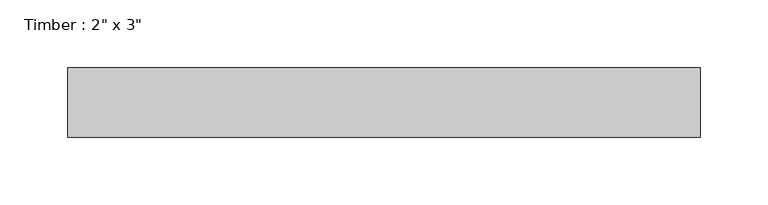
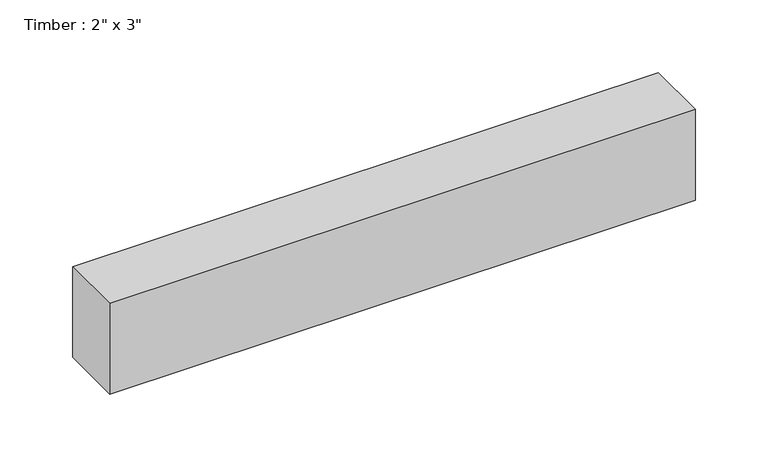
"""IFC4 building model written with IfcOpenShell, lengths in millimetres: beam geometry."""

from ifc_helpers import new_model, si_unit, frame, origin, place, context, project, spatial, polyline, outline, extrude, source, transform, mapped, element, save


def beam_81d6704a(model_context):
    return source(origin(), model_context, "Body", "SweptSolid", [
        extrude(outline(polyline([(232.5031892, 25.4), (232.5031892, -25.4), (-232.5031892, -25.4), (-232.5031892, 25.4), (232.5031892, 25.4)])), frame((0.0, 0.0, -38.1), z_axis=(0.0, 0.0, 1.0), x_axis=(1.0, 0.0, 0.0)), (0.0, 0.0, 1.0), 76.2),
    ])


if __name__ == "__main__":
    model = new_model("IFC4")
    model_context = context("Model", 3, world=origin())
    ifc_project = project(units=[si_unit("LENGTHUNIT", "METRE", prefix="MILLI")], contexts=[model_context])
    site = spatial("IfcSite", under=ifc_project)
    building = spatial("IfcBuilding", under=site)
    placement = place(None, origin())
    beam_shape = beam_81d6704a(model_context)
    element("IfcBeam", 1, ObjectType="Timber : 2\" x 3\"", at=placement, inside=building, context=model_context, shape_type="MappedRepresentation", body=[
        mapped(beam_shape, transform((0.0, 0.0, 0.0), x_axis=(1.0, 0.0, 0.0), y_axis=(0.0, 1.0, 0.0), z_axis=(0.0, 0.0, 1.0))),
    ])
    save(model, "model.ifc")
